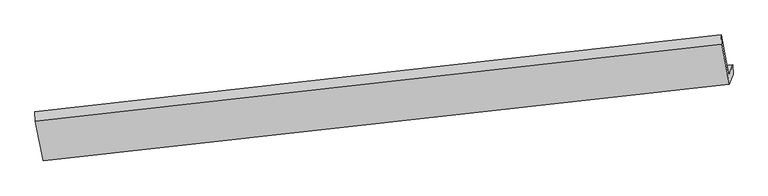
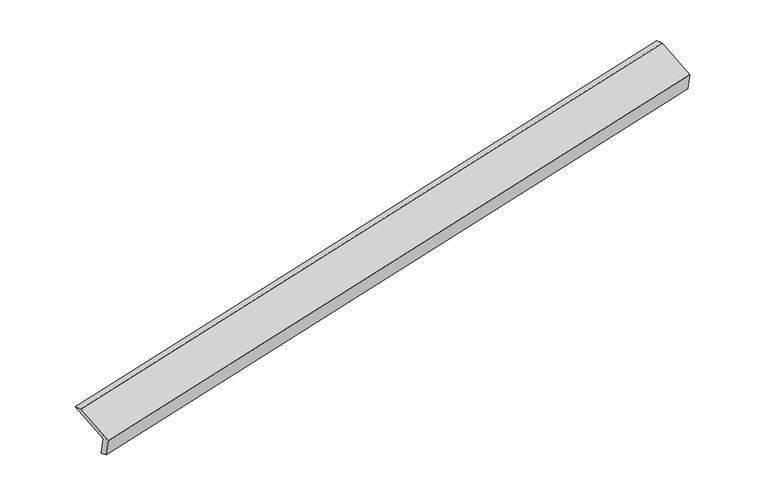
"""IFC4 building model written with IfcOpenShell, lengths in millimetres: proxy geometry."""

from ifc_helpers import new_model, si_unit, frame, origin, place, context, project, spatial, source, transform, mapped, element, save
from ifc_brep_helpers import plane_surface, spline_surface, advanced_brep


def generic_models_56872b45(model_context):
    return source(origin(), model_context, "Body", "AdvancedBrep", [
        advanced_brep(
        [(-8702.8748509, -2203.5891441, 318.2532566), (-8768.3968796, -2380.6831363, 738.8709808), (3084.4132139, -1055.843197, 3164.975405), (3151.3563653, -874.9081717, 2735.2348043), (-8697.2518104, -2360.1738318, 377.7530156), (3155.5582832, -1035.3338925, 2803.8574398), (-8761.1495251, -2532.8776021, 787.9434797), (3091.6605684, -1208.0376629, 3214.0479039), (-8892.9172306, -1849.3049809, 1055.2239831), (2959.892863, -524.4650417, 3481.3284074), (-8902.6661264, -1684.1332443, 1011.2256656), (2950.1439671, -359.293305, 3437.3300898)],
        [
            (0, 1),
            (1, 2),
            (2, 3),
            (3, 0),
            (4, 0),
            (3, 5),
            (5, 4),
            (6, 4),
            (5, 7),
            (7, 6),
            (8, 6),
            (7, 9),
            (9, 8),
            (10, 8),
            (9, 11),
            (11, 10),
            (1, 10),
            (11, 2),
        ],
        [
            plane_surface(frame((-8735.6358653, -2292.1361402, 528.5621187), z_axis=(-0.17587166730371057, 0.9167757453735336, 0.3585964156745229), x_axis=(-0.1421122646525324, -0.38410331281149285, 0.9122876461525526))),
            spline_surface(1, 1, [[(-8697.2518104, -2360.1738318, 377.7530156), (3155.5582832, -1035.3338925, 2803.8574398)], [(-8702.8748509, -2203.5891441, 318.2532566), (3151.3563653, -874.9081717, 2735.2348043)]], [2, 2], [2, 2], [0.0, 1.0], [0.0, 1.0]),
            plane_surface(frame((-8729.2006677, -2446.525717, 582.8482477), z_axis=(0.17587166730370413, -0.9167757453735507, -0.3585964156744821), x_axis=(0.1421122646525338, 0.3841033128114511, -0.91228764615257))),
            plane_surface(frame((-8827.0333778, -2191.0912915, 921.5837314), z_axis=(-0.14371253439282994, -0.3842839918534469, 0.911960811144629), x_axis=(0.17670263695155855, -0.9166820073008175, -0.3584275039464882))),
            plane_surface(frame((-8897.7916785, -1766.7191126, 1033.2248244), z_axis=(-0.2202815052871666, 0.2389195365189252, 0.9457238040241993), x_axis=(0.05694142002785064, -0.9647362502027623, 0.2569856848735455))),
            plane_surface(frame((-8835.531503, -2032.4081903, 875.0483232), z_axis=(0.1437125343928289, 0.38428399185345, -0.9119608111446279), x_axis=(-0.1767026369515734, 0.9166820073008145, 0.35842750394648837))),
            plane_surface(frame((3065.5042101, -842.9802118, 3139.4623417), z_axis=(0.9739508623794614, 0.11026668843389906, 0.19814382425936247), x_axis=(0.17670263695155855, -0.9166820073008175, -0.3584275039464882))),
            plane_surface(frame((-8787.5427372, -2168.4603232, 714.8783969), z_axis=(-0.9739508623794793, -0.11026668843379991, -0.19814382425932914), x_axis=(0.1421122646525318, 0.3841033128114879, -0.9122876461525548))),
        ],
        [
            (0, [[1, 2, 3, 4]]),
            (1, [[5, -4, 6, 7]]),
            (2, [[8, -7, 9, 10]]),
            (3, [[11, -10, 12, 13]]),
            (4, [[14, -13, 15, 16]]),
            (5, [[17, -16, 18, -2]]),
            (6, [[-12, -9, -6, -3, -18, -15]]),
            (7, [[-1, -5, -8, -11, -14, -17]]),
        ],
    ),
    ])


if __name__ == "__main__":
    model = new_model("IFC4")
    model_context = context("Model", 3, world=origin())
    ifc_project = project(units=[si_unit("LENGTHUNIT", "METRE", prefix="MILLI")], contexts=[model_context])
    site = spatial("IfcSite", under=ifc_project)
    building = spatial("IfcBuilding", under=site)
    placement = place(None, origin())
    generic_models_shape = generic_models_56872b45(model_context)
    element("IfcBuildingElementProxy", 1, Name="Generic Models", at=placement, inside=building, context=model_context, shape_type="MappedRepresentation", body=[
        mapped(generic_models_shape, transform((0.0, 0.0, 0.0), x_axis=(1.0, 0.0, 0.0), y_axis=(0.0, 1.0, 0.0), z_axis=(0.0, 0.0, 1.0))),
    ])
    save(model, "model.ifc")
